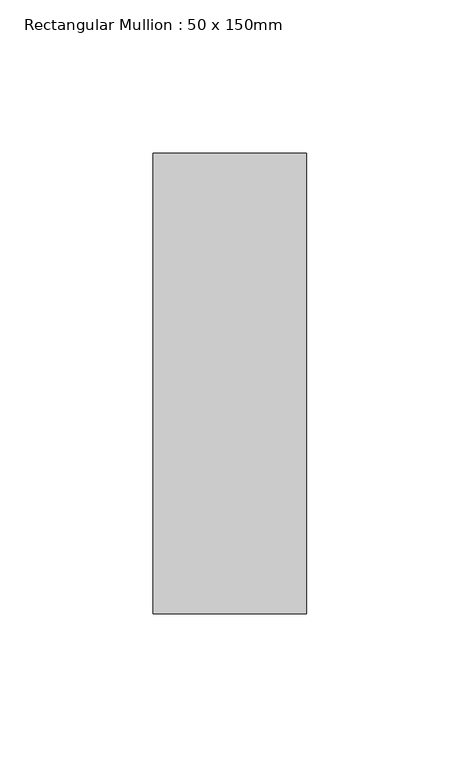
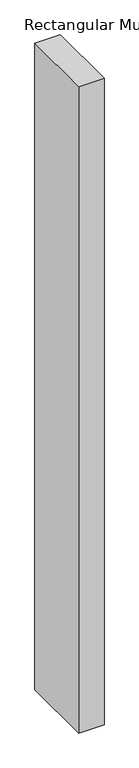
"""IFC4 building model written with IfcOpenShell, lengths in millimetres: member geometry, Rectangular Mullion : 50 x 150mm."""

from ifc_helpers import new_model, si_unit, frame, origin, place, context, project, spatial, polyline, outline, extrude, source, transform, mapped, element, save


def rectangular_mullion_50_x_150mm_62c69b4d(model_context):
    return source(origin(), model_context, "Body", "SweptSolid", [
        extrude(outline(polyline([(0.0, 75.0), (0.0, -75.0), (-50.0, -75.0), (-50.0, 75.0), (0.0, 75.0)])), frame((0.0, 0.0, -1350.0), z_axis=(0.0, 0.0, 1.0), x_axis=(1.0, 0.0, 0.0)), (0.0, 0.0, 1.0), 1350.0),
    ])


if __name__ == "__main__":
    model = new_model("IFC4")
    model_context = context("Model", 3, world=origin())
    ifc_project = project(units=[si_unit("LENGTHUNIT", "METRE", prefix="MILLI")], contexts=[model_context])
    site = spatial("IfcSite", under=ifc_project)
    building = spatial("IfcBuilding", under=site)
    placement = place(None, origin())
    rectangular_mullion_50_x_150mm_shape = rectangular_mullion_50_x_150mm_62c69b4d(model_context)
    element("IfcMember", 1, ObjectType="Rectangular Mullion : 50 x 150mm", at=placement, inside=building, context=model_context, shape_type="MappedRepresentation", body=[
        mapped(rectangular_mullion_50_x_150mm_shape, transform((0.0, 0.0, 0.0), x_axis=(1.0, 0.0, 0.0), y_axis=(0.0, 1.0, 0.0), z_axis=(0.0, 0.0, 1.0))),
    ])
    save(model, "model.ifc")
